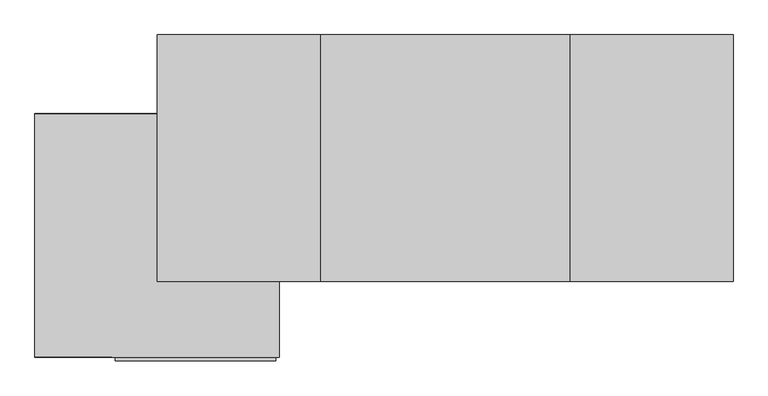
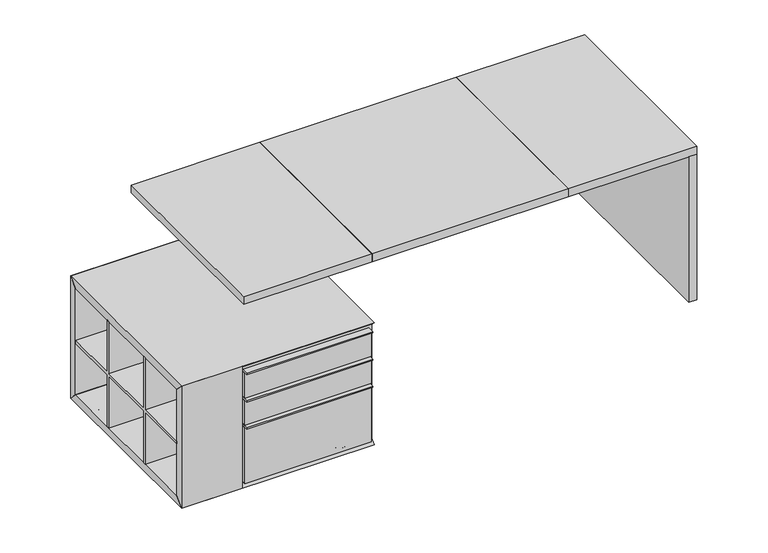
"""IFC4 building model written with IfcOpenShell, lengths in millimetres: furniture geometry."""

from ifc_helpers import new_model, si_unit, point, frame, frame_2d, origin, origin_with_axes, place, context, project, spatial, polyline, circle_curve, ellipse_curve, trimmed, segment, composite_curve, outline, extrude, source, transform, mapped, element, save
from ifc_brep_helpers import plane_surface, revolved_surface, advanced_brep


def furniture_f89e5738(model_context):
    return source(origin(), model_context, "Body", "SolidModel", [
        extrude(outline(polyline([(1012.761497, -28.575), (1050.861497, -28.575), (1050.861497, -927.1), (1012.761497, -927.1), (1012.761497, -28.575)])), origin_with_axes(), (0.0, 0.0, 1.0), 711.2),
        advanced_brep(
        [(-1388.9189162, -416.6868882, 38.0080339), (-1426.9269502, -416.6868882, 38.0080339), (-1350.9108823, -416.6868882, 38.0080339), (-1388.9189162, -416.6868882, 0.0)],
        [
            (0, 1),
            (1, 2, circle_curve(frame((-1388.9189162, -416.6868882, 38.0080339), z_axis=(0.0, 0.0, 1.0), x_axis=(-1.0, 0.0, 0.0)), 38.0080339)),
            (2, 0),
            (2, 1, circle_curve(frame((-1388.9189162, -416.6868882, 38.0080339), z_axis=(0.0, 0.0, 1.0), x_axis=(-1.0, 0.0, 0.0)), 38.0080339)),
            (1, 3, circle_curve(frame((-1388.9189162, -416.6868882, 38.0080339), z_axis=(0.0, -1.0, 0.0), x_axis=(-1.0, 0.0, 0.0)), 38.0080339)),
            (3, 2, circle_curve(frame((-1388.9189162, -416.6868882, 38.0080339), z_axis=(0.0, -1.0, 0.0), x_axis=(1.0, 0.0, 0.0)), 38.0080339)),
        ],
        [
            plane_surface(frame((-1388.9189162, -416.6868882, 38.0080339), z_axis=(0.0, 0.0, 1.0), x_axis=(-1.0, 0.0, 0.0))),
            revolved_surface(trimmed(ellipse_curve(frame((-1388.9189162, -416.6868882, 38.0080339), z_axis=(0.0, 1.0, 0.0), x_axis=(-1.0, 0.0, 0.0)), 38.0080339, 38.0080339), [point((-1388.9189162, -416.6868882, 0.0))], [point((-1426.9269502, -416.6868882, 38.0080339))], True, "CARTESIAN"), (-1388.9189162, -416.6868882, -304.8), (0.0, 0.0, 1.0)),
        ],
        [
            (0, [[1, 2, 3]]),
            (0, [[-3, 4, -1]]),
            (1, [[-2, 5, 6]]),
            (1, [[-4, -6, -5]]),
        ],
    ),
        advanced_brep(
        [(-703.1189162, -416.6868882, 38.0080339), (-741.1269502, -416.6868882, 38.0080339), (-665.1108823, -416.6868882, 38.0080339), (-703.1189162, -416.6868882, 0.0)],
        [
            (0, 1),
            (1, 2, circle_curve(frame((-703.1189162, -416.6868882, 38.0080339), z_axis=(0.0, 0.0, 1.0), x_axis=(-1.0, 0.0, 0.0)), 38.0080339)),
            (2, 0),
            (2, 1, circle_curve(frame((-703.1189162, -416.6868882, 38.0080339), z_axis=(0.0, 0.0, 1.0), x_axis=(-1.0, 0.0, 0.0)), 38.0080339)),
            (1, 3, circle_curve(frame((-703.1189162, -416.6868882, 38.0080339), z_axis=(0.0, -1.0, 0.0), x_axis=(-1.0, 0.0, 0.0)), 38.0080339)),
            (3, 2, circle_curve(frame((-703.1189162, -416.6868882, 38.0080339), z_axis=(0.0, -1.0, 0.0), x_axis=(1.0, 0.0, 0.0)), 38.0080339)),
        ],
        [
            plane_surface(frame((-703.1189162, -416.6868882, 38.0080339), z_axis=(0.0, 0.0, 1.0), x_axis=(-1.0, 0.0, 0.0))),
            revolved_surface(trimmed(ellipse_curve(frame((-703.1189162, -416.6868882, 38.0080339), z_axis=(0.0, 1.0, 0.0), x_axis=(-1.0, 0.0, 0.0)), 38.0080339, 38.0080339), [point((-703.1189162, -416.6868882, 0.0))], [point((-741.1269502, -416.6868882, 38.0080339))], True, "CARTESIAN"), (-703.1189162, -416.6868882, -304.8), (0.0, 0.0, 1.0)),
        ],
        [
            (0, [[1, 2, 3]]),
            (0, [[-3, 4, -1]]),
            (1, [[-2, 5, 6]]),
            (1, [[-4, -6, -5]]),
        ],
    ),
        advanced_brep(
        [(-703.1189162, -1102.4868882, 38.0080339), (-741.1269502, -1102.4868882, 38.0080339), (-665.1108823, -1102.4868882, 38.0080339), (-703.1189162, -1102.4868882, 0.0)],
        [
            (0, 1),
            (1, 2, circle_curve(frame((-703.1189162, -1102.4868882, 38.0080339), z_axis=(0.0, 0.0, 1.0), x_axis=(-1.0, 0.0, 0.0)), 38.0080339)),
            (2, 0),
            (2, 1, circle_curve(frame((-703.1189162, -1102.4868882, 38.0080339), z_axis=(0.0, 0.0, 1.0), x_axis=(-1.0, 0.0, 0.0)), 38.0080339)),
            (1, 3, circle_curve(frame((-703.1189162, -1102.4868882, 38.0080339), z_axis=(0.0, -1.0, 0.0), x_axis=(-1.0, 0.0, 0.0)), 38.0080339)),
            (3, 2, circle_curve(frame((-703.1189162, -1102.4868882, 38.0080339), z_axis=(0.0, -1.0, 0.0), x_axis=(1.0, 0.0, 0.0)), 38.0080339)),
        ],
        [
            plane_surface(frame((-703.1189162, -1102.4868882, 38.0080339), z_axis=(0.0, 0.0, 1.0), x_axis=(-1.0, 0.0, 0.0))),
            revolved_surface(trimmed(ellipse_curve(frame((-703.1189162, -1102.4868882, 38.0080339), z_axis=(0.0, 1.0, 0.0), x_axis=(-1.0, 0.0, 0.0)), 38.0080339, 38.0080339), [point((-703.1189162, -1102.4868882, 0.0))], [point((-741.1269502, -1102.4868882, 38.0080339))], True, "CARTESIAN"), (-703.1189162, -1102.4868882, -304.8), (0.0, 0.0, 1.0)),
        ],
        [
            (0, [[1, 2, 3]]),
            (0, [[-3, 4, -1]]),
            (1, [[-2, 5, 6]]),
            (1, [[-4, -6, -5]]),
        ],
    ),
        advanced_brep(
        [(-1388.9189162, -1102.4868882, 38.0080339), (-1426.9269502, -1102.4868882, 38.0080339), (-1350.9108823, -1102.4868882, 38.0080339), (-1388.9189162, -1102.4868882, 0.0)],
        [
            (0, 1),
            (1, 2, circle_curve(frame((-1388.9189162, -1102.4868882, 38.0080339), z_axis=(0.0, 0.0, 1.0), x_axis=(-1.0, 0.0, 0.0)), 38.0080339)),
            (2, 0),
            (2, 1, circle_curve(frame((-1388.9189162, -1102.4868882, 38.0080339), z_axis=(0.0, 0.0, 1.0), x_axis=(-1.0, 0.0, 0.0)), 38.0080339)),
            (1, 3, circle_curve(frame((-1388.9189162, -1102.4868882, 38.0080339), z_axis=(0.0, -1.0, 0.0), x_axis=(-1.0, 0.0, 0.0)), 38.0080339)),
            (3, 2, circle_curve(frame((-1388.9189162, -1102.4868882, 38.0080339), z_axis=(0.0, -1.0, 0.0), x_axis=(1.0, 0.0, 0.0)), 38.0080339)),
        ],
        [
            plane_surface(frame((-1388.9189162, -1102.4868882, 38.0080339), z_axis=(0.0, 0.0, 1.0), x_axis=(-1.0, 0.0, 0.0))),
            revolved_surface(trimmed(ellipse_curve(frame((-1388.9189162, -1102.4868882, 38.0080339), z_axis=(0.0, 1.0, 0.0), x_axis=(-1.0, 0.0, 0.0)), 38.0080339, 38.0080339), [point((-1388.9189162, -1102.4868882, 0.0))], [point((-1426.9269502, -1102.4868882, 38.0080339))], True, "CARTESIAN"), (-1388.9189162, -1102.4868882, -304.8), (0.0, 0.0, 1.0)),
        ],
        [
            (0, [[1, 2, 3]]),
            (0, [[-3, 4, -1]]),
            (1, [[-2, 5, 6]]),
            (1, [[-4, -6, -5]]),
        ],
    ),
        extrude(outline(polyline([(-911.9868882, 596.8080339), (-899.2868882, 596.8080339), (-899.2868882, 342.8080339), (-619.8868882, 342.8080339), (-619.8868882, 596.8080339), (-607.1868882, 596.8080339), (-607.1868882, 342.8080339), (-353.1868882, 342.8080339), (-353.1868882, 330.1080339), (-607.1868882, 330.1080339), (-607.1868882, 76.1080339), (-619.8868882, 76.1080339), (-619.8868882, 330.1080339), (-899.2868882, 330.1080339), (-899.2868882, 76.1080339), (-911.9868882, 76.1080339), (-911.9868882, 330.1080339), (-1165.9868882, 330.1080339), (-1165.9868882, 342.8080339), (-911.9868882, 342.8080339), (-911.9868882, 596.8080339)])), frame((-1490.5189162, 0.0, 0.0), z_axis=(1.0, 0.0, 0.0), x_axis=(0.0, 1.0, 0.0)), (0.0, 0.0, 1.0), 279.4),
        extrude(outline(polyline([(-614.2189162, -1185.0368882), (-614.2189162, -1216.7868882), (-1198.4189162, -1216.7868882), (-1198.4189162, -1185.0368882), (-614.2189162, -1185.0368882)])), frame((0.0, 0.0, 462.1448893), z_axis=(0.0, 0.0, 1.0), x_axis=(1.0, 0.0, 0.0)), (0.0, 0.0, 1.0), 6.35),
        extrude(outline(polyline([(-614.2189162, -1185.0368882), (-614.2189162, -1216.7868882), (-1198.4189162, -1216.7868882), (-1198.4189162, -1185.0368882), (-614.2189162, -1185.0368882)])), frame((0.0, 0.0, 596.8080339), z_axis=(0.0, 0.0, 1.0), x_axis=(1.0, 0.0, 0.0)), (0.0, 0.0, 1.0), 6.35),
        extrude(outline(polyline([(-614.2189162, -1185.0368882), (-614.2189162, -1216.7868882), (-1198.4189162, -1216.7868882), (-1198.4189162, -1185.0368882), (-614.2189162, -1185.0368882)])), frame((0.0, 0.0, 330.1080339), z_axis=(0.0, 0.0, 1.0), x_axis=(1.0, 0.0, 0.0)), (0.0, 0.0, 1.0), 6.35),
        extrude(outline(polyline([(-614.2189162, -1185.0368882), (-614.2189162, -1204.0868882), (-1198.4189162, -1204.0868882), (-1198.4189162, -1185.0368882), (-614.2189162, -1185.0368882)])), frame((0.0, 0.0, 474.8448893), z_axis=(0.0, 0.0, 1.0), x_axis=(1.0, 0.0, 0.0)), (0.0, 0.0, 1.0), 121.9631446),
        extrude(outline(polyline([(-614.2189162, -1185.0368882), (-614.2189162, -1204.0868882), (-1198.4189162, -1204.0868882), (-1198.4189162, -1185.0368882), (-614.2189162, -1185.0368882)])), frame((0.0, 0.0, 342.8080339), z_axis=(0.0, 0.0, 1.0), x_axis=(1.0, 0.0, 0.0)), (0.0, 0.0, 1.0), 119.3368554),
        extrude(outline(polyline([(-614.2189162, -1185.0368882), (-614.2189162, -1204.0868882), (-1198.4189162, -1204.0868882), (-1198.4189162, -1185.0368882), (-614.2189162, -1185.0368882)])), frame((0.0, 0.0, 57.0580339), z_axis=(0.0, 0.0, 1.0), x_axis=(1.0, 0.0, 0.0)), (0.0, 0.0, 1.0), 273.05),
        extrude(outline(composite_curve([segment(trimmed(circle_curve(frame_2d((-816.038503, -477.8375)), 69.85), [point((-885.888503, -477.8375))], [point((-746.188503, -477.8375))], False, "CARTESIAN"), True, "CONTINUOUS"), segment(trimmed(circle_curve(frame_2d((-816.038503, -477.8375)), 69.85), [point((-746.188503, -477.8375))], [point((-885.888503, -477.8375))], False, "CARTESIAN"), True, "CONTINUOUS")], self_intersect=False)), frame((0.0, 0.0, 634.9080339), z_axis=(0.0, 0.0, 1.0), x_axis=(1.0, 0.0, 0.0)), (0.0, 0.0, 1.0), 76.2919661),
        extrude(outline(polyline([(-1185.0368882, 615.8580339), (-1165.9868882, 596.8080339), (-353.1868882, 596.8080339), (-353.1868882, 76.1080339), (-1165.9868882, 76.1080339), (-1185.0368882, 57.0580339), (-1185.0368882, 615.8580339)])), frame((-1211.1189162, 0.0, 0.0), z_axis=(1.0, 0.0, 0.0), x_axis=(0.0, 1.0, 0.0)), (0.0, 0.0, 1.0), 609.6),
        extrude(outline(polyline([(-353.1868882, 76.1080339), (-353.1868882, 596.8080339), (-315.0868882, 634.9080339), (-315.0868882, 38.0080339), (-353.1868882, 76.1080339)])), frame((-1490.5189162, 0.0, 0.0), z_axis=(1.0, 0.0, 0.0), x_axis=(0.0, 1.0, 0.0)), (0.0, 0.0, 1.0), 889.0),
        extrude(outline(polyline([(-1204.0868882, 634.9080339), (-1165.9868882, 596.8080339), (-1165.9868882, 76.1080339), (-1204.0868882, 38.0080339), (-1204.0868882, 634.9080339)])), frame((-1490.5189162, 0.0, 0.0), z_axis=(1.0, 0.0, 0.0), x_axis=(0.0, 1.0, 0.0)), (0.0, 0.0, 1.0), 279.4),
        extrude(outline(polyline([(-353.1868882, 596.8080339), (-1165.9868882, 596.8080339), (-1204.0868882, 634.9080339), (-315.0868882, 634.9080339), (-353.1868882, 596.8080339)])), frame((-1490.5189162, 0.0, 0.0), z_axis=(1.0, 0.0, 0.0), x_axis=(0.0, 1.0, 0.0)), (0.0, 0.0, 1.0), 889.0),
        extrude(outline(polyline([(-1165.9868882, 76.1080339), (-353.1868882, 76.1080339), (-315.0868882, 38.0080339), (-1204.0868882, 38.0080339), (-1165.9868882, 76.1080339)])), frame((-1490.5189162, 0.0, 0.0), z_axis=(1.0, 0.0, 0.0), x_axis=(0.0, 1.0, 0.0)), (0.0, 0.0, 1.0), 889.0),
        extrude(outline(polyline([(-450.913503, -28.575), (457.136497, -28.575), (457.136497, -927.1), (-450.913503, -927.1), (-450.913503, -28.575)])), frame((0.0, 0.0, 711.2), z_axis=(0.0, 0.0, 1.0), x_axis=(1.0, 0.0, 0.0)), (0.0, 0.0, 1.0), 38.1),
        extrude(outline(polyline([(-1044.638503, -28.575), (-450.913503, -28.575), (-450.913503, -927.1), (-1044.638503, -927.1), (-1044.638503, -28.575)])), frame((0.0, 0.0, 711.2), z_axis=(0.0, 0.0, 1.0), x_axis=(1.0, 0.0, 0.0)), (0.0, 0.0, 1.0), 38.1),
        extrude(outline(polyline([(457.136497, -28.575), (1050.861497, -28.575), (1050.861497, -927.1), (457.136497, -927.1), (457.136497, -28.575)])), frame((0.0, 0.0, 711.2), z_axis=(0.0, 0.0, 1.0), x_axis=(1.0, 0.0, 0.0)), (0.0, 0.0, 1.0), 38.1),
        extrude(outline(polyline([(1012.761497, -276.9868882), (1012.761497, -315.0868882), (-601.5275655, -315.0868882), (-601.5275655, -276.9868882), (1012.761497, -276.9868882)])), frame((0.0, 0.0, 462.1448893), z_axis=(0.0, 0.0, 1.0), x_axis=(1.0, 0.0, 0.0)), (0.0, 0.0, 1.0), 249.0551107),
    ])


if __name__ == "__main__":
    model = new_model("IFC4")
    model_context = context("Model", 3, world=origin())
    ifc_project = project(units=[si_unit("LENGTHUNIT", "METRE", prefix="MILLI")], contexts=[model_context])
    site = spatial("IfcSite", under=ifc_project)
    building = spatial("IfcBuilding", under=site)
    placement = place(None, origin())
    furniture_shape = furniture_f89e5738(model_context)
    element("IfcFurniture", 1, at=placement, inside=building, context=model_context, shape_type="MappedRepresentation", body=[
        mapped(furniture_shape, transform((0.0, 0.0, 0.0), x_axis=(1.0, 0.0, 0.0), y_axis=(0.0, 1.0, 0.0), z_axis=(0.0, 0.0, 1.0))),
    ])
    save(model, "model.ifc")
